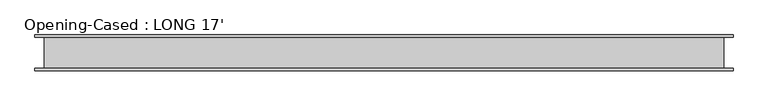
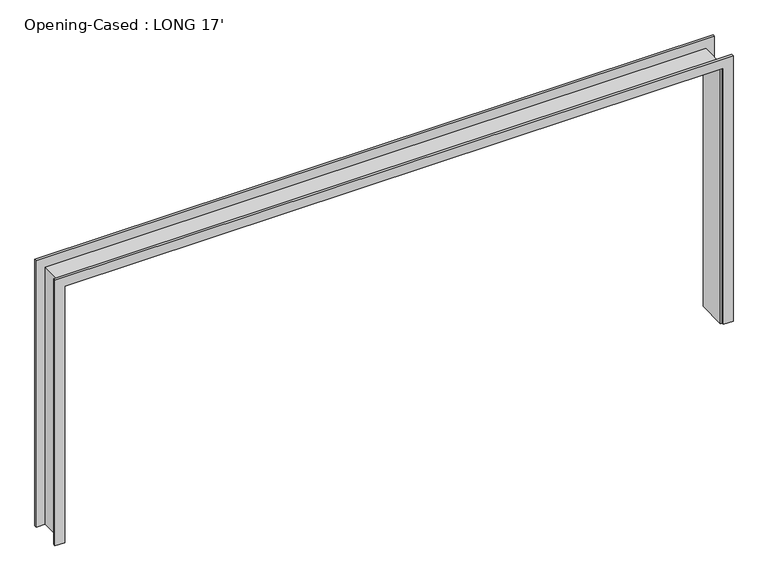
"""IFC4 building model written with IfcOpenShell, lengths in millimetres: proxy geometry, Opening-Cased : LONG 17'."""

from ifc_helpers import new_model, si_unit, frame, origin, place, context, project, spatial, polyline, outline, extrude, faceted_brep, source, transform, mapped, element, save


def opening_cased_long_17_0dae6ed0(model_context):
    return source(origin(), model_context, "Body", "SolidModel", [
        extrude(outline(polyline([(0.0, -2592.6386567), (2127.25, -2592.6386567), (2127.25, 2576.2613433), (0.0, 2576.2613433), (0.0, 2652.4613433), (2203.45, 2652.4613433), (2203.45, -2668.8386567), (0.0, -2668.8386567), (0.0, -2592.6386567)])), frame((0.0, -136.525, 0.0), z_axis=(0.0, 1.0, 0.0), x_axis=(0.0, 0.0, 1.0)), (0.0, 0.0, 1.0), 19.05),
        extrude(outline(polyline([(0.0, 2652.4613433), (2209.8, 2652.4613433), (2209.8, -2668.8386567), (0.0, -2668.8386567), (0.0, -2592.6386567), (2127.25, -2592.6386567), (2127.25, 2576.2613433), (0.0, 2576.2613433), (0.0, 2652.4613433)])), frame((0.0, 117.475, 0.0), z_axis=(0.0, 1.0, 0.0), x_axis=(0.0, 0.0, 1.0)), (0.0, 0.0, 1.0), 19.05),
        faceted_brep([(2563.5613433, 117.475, 0.0), (2582.6113433, 117.475, 0.0), (2582.6113433, -117.475, 0.0), (2563.5613433, -117.475, 0.0), (2563.5613433, 117.475, 2114.55), (2582.6113433, 117.475, 2133.6), (2582.6113433, -117.475, 2133.6), (2563.5613433, -117.475, 2114.55), (-2579.9386567, 117.475, 2114.55), (-2598.9886567, 117.475, 2133.6), (-2598.9886567, -117.475, 2133.6), (-2579.9386567, -117.475, 2114.55), (-2579.9386567, 117.475, 0.0), (-2579.9386567, -117.475, 0.0), (-2598.9886567, -117.475, 0.0), (-2598.9886567, 117.475, 0.0)], [[[0, 1, 2, 3]], [[1, 0, 4, 5]], [[2, 1, 5, 6]], [[3, 2, 6, 7]], [[0, 3, 7, 4]], [[5, 4, 8, 9]], [[6, 5, 9, 10]], [[7, 6, 10, 11]], [[4, 7, 11, 8]], [[12, 13, 14, 15]], [[9, 8, 12, 15]], [[10, 9, 15, 14]], [[11, 10, 14, 13]], [[8, 11, 13, 12]]]),
    ])


if __name__ == "__main__":
    model = new_model("IFC4")
    model_context = context("Model", 3, world=origin())
    ifc_project = project(units=[si_unit("LENGTHUNIT", "METRE", prefix="MILLI")], contexts=[model_context])
    site = spatial("IfcSite", under=ifc_project)
    building = spatial("IfcBuilding", under=site)
    placement = place(None, origin())
    opening_cased_long_17_shape = opening_cased_long_17_0dae6ed0(model_context)
    element("IfcBuildingElementProxy", 1, Name="Opening-Cased : LONG 17'", ObjectType="Opening-Cased : LONG 17'", at=placement, inside=building, context=model_context, shape_type="MappedRepresentation", body=[
        mapped(opening_cased_long_17_shape, transform((0.0, 0.0, 0.0), x_axis=(1.0, 0.0, 0.0), y_axis=(0.0, 1.0, 0.0), z_axis=(0.0, 0.0, 1.0))),
    ])
    save(model, "model.ifc")
